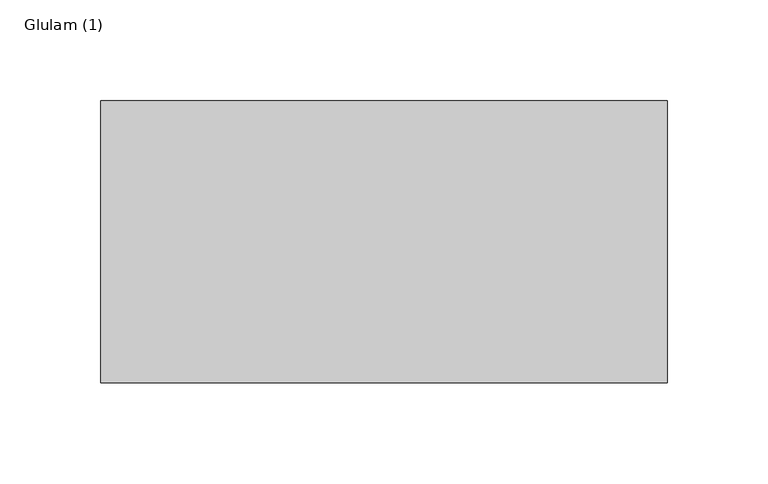
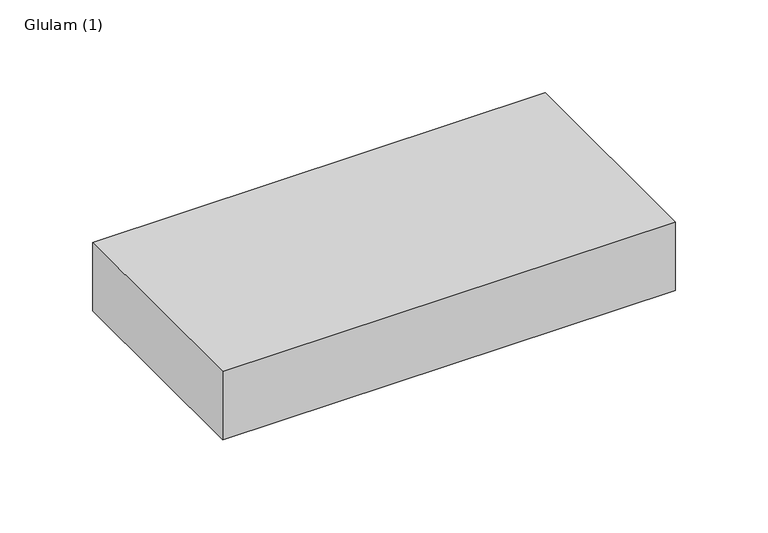
"""IFC4 building model written with IfcOpenShell, lengths in millimetres: beam geometry, Glulam (1)."""

from ifc_helpers import new_model, si_unit, frame, origin, place, context, project, spatial, polyline, outline, extrude, source, transform, mapped, element, save


def glulam_1_c047c6e9(model_context):
    return source(origin(), model_context, "Body", "SweptSolid", [
        extrude(outline(polyline([(140.5, 70.0), (140.5, -70.0), (-140.5, -70.0), (-140.5, 70.0), (140.5, 70.0)])), frame((0.0, 0.0, -22.5), z_axis=(0.0, 0.0, 1.0), x_axis=(1.0, 0.0, 0.0)), (0.0, 0.0, 1.0), 45.0),
    ])


if __name__ == "__main__":
    model = new_model("IFC4")
    model_context = context("Model", 3, world=origin())
    ifc_project = project(units=[si_unit("LENGTHUNIT", "METRE", prefix="MILLI")], contexts=[model_context])
    site = spatial("IfcSite", under=ifc_project)
    building = spatial("IfcBuilding", under=site)
    placement = place(None, origin())
    glulam_1_shape = glulam_1_c047c6e9(model_context)
    element("IfcBeam", 1, ObjectType="Glulam (1)", at=placement, inside=building, context=model_context, shape_type="MappedRepresentation", body=[
        mapped(glulam_1_shape, transform((0.0, 0.0, 0.0), x_axis=(1.0, 0.0, 0.0), y_axis=(0.0, 1.0, 0.0), z_axis=(0.0, 0.0, 1.0))),
    ])
    save(model, "model.ifc")
